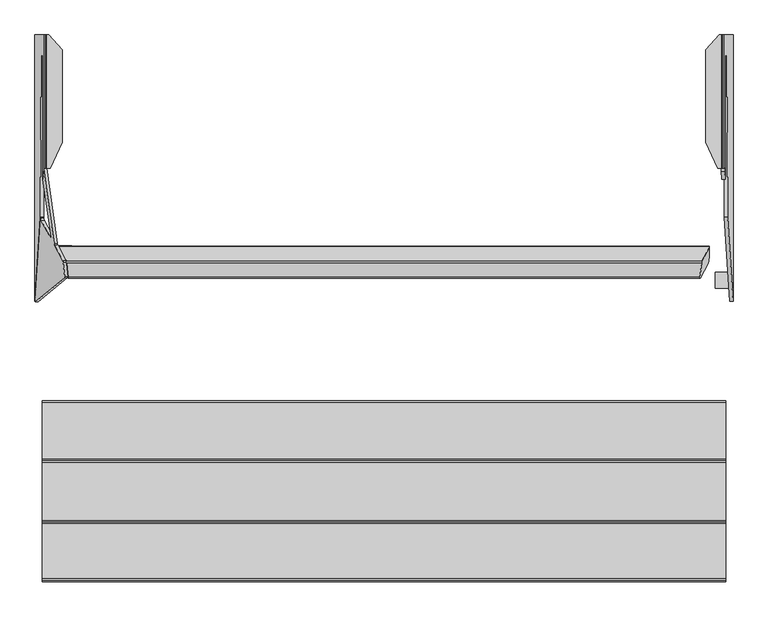
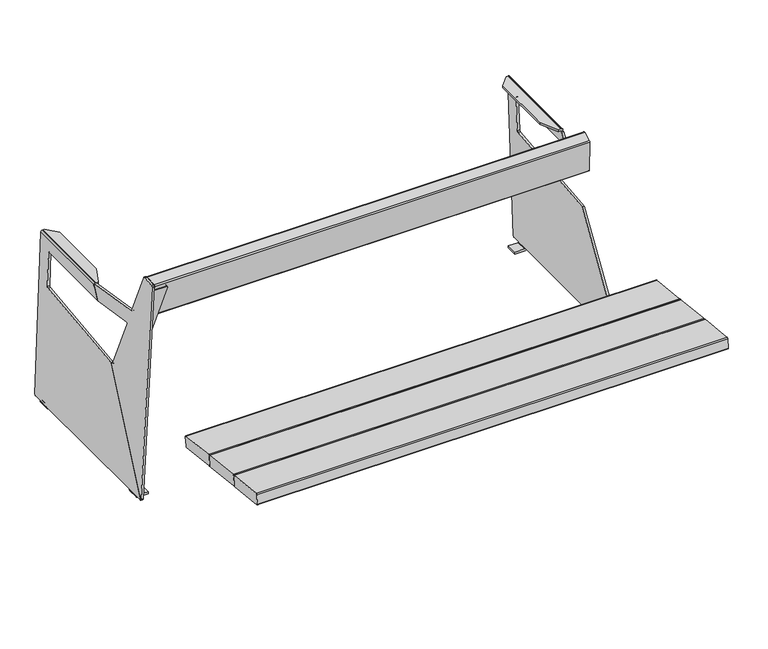
"""IFC4 building model written with IfcOpenShell, lengths in millimetres: furniture geometry."""

from ifc_helpers import new_model, si_unit, point, frame, frame_2d, origin, place, context, project, spatial, polyline, circle_curve, ellipse_curve, trimmed, segment, composite_curve, outline, extrude, source, transform, mapped, element, save
from ifc_brep_helpers import plane_surface, cylinder_surface, revolved_surface, advanced_brep


def furniture_87e5d0e5(model_context):
    return source(origin(), model_context, "Body", "SolidModel", [
        advanced_brep(
        [(-791.2328587, 505.8544939, 503.3842593), (-783.301588, 504.0503298, 509.9877088), (-747.1427984, 438.3761853, 749.0639533), (-755.0440225, 435.9391349, 757.8881152), (-800.2290396, 435.8572515, 757.9536062), (-837.8982285, 505.7699279, 503.4518959), (-755.0563553, 444.6628005, 760.2863677), (-747.1551312, 447.0998509, 751.4622058), (-783.3139208, 512.7739954, 512.3859614), (-791.2451915, 514.5781595, 505.7825119), (-838.8596981, 514.4918735, 505.8515241), (-801.1905091, 444.5791971, 760.3532344), (-880.8633489, 372.9837171, 14.8944279), (-806.2060941, 433.797321, 774.9426086), (-806.2223905, 436.6873001, 778.499374), (-810.120629, 472.7104158, 789.0752934), (-811.1014693, 477.5895695, 786.3705641), (-832.2804167, 516.8962274, 643.2798026), (-833.1217155, 520.6554233, 640.4138721), (-859.5577941, 708.971181, 640.3594265), (-861.2994828, 682.484092, 590.4844823), (-840.7791117, 536.4031676, 590.6481205), (-840.7909312, 532.5415564, 585.5886209), (-866.2037222, 579.7045667, 413.8911008), (-867.5760922, 586.0959716, 409.5484177), (-867.61676, 586.4127996, 409.5831251), (-881.5280215, 374.8544313, 11.2206695), (-872.9871313, 374.0891443, 14.0323223), (-873.6518039, 375.9598585, 10.3585639), (-859.704087, 588.0726289, 409.7649535), (-859.4503645, 586.0959716, 409.5484177), (-858.0779945, 579.7045667, 413.8911008), (-832.6652035, 532.5415564, 585.5886209), (-832.653384, 536.4031676, 590.6481205), (-853.3932206, 684.0464283, 590.4827322), (-851.6815764, 710.0766083, 639.4973209), (-825.2454978, 521.7608506, 639.5517666), (-824.4041991, 518.0016547, 642.417697), (-803.2252516, 478.6949968, 785.5084585), (-802.2444113, 473.815843, 788.2131877), (-798.3461729, 437.7927273, 777.6372684), (-798.3298764, 434.9027483, 774.080503)],
        [
            (0, 1, circle_curve(frame((-791.2178354, 503.7338866, 511.098065), z_axis=(0.0013631459484884575, -0.9642258427672699, -0.26507860338562134), x_axis=(0.14431455675225047, -0.2621142782788855, 0.9541852093968658)), 8.0)),
            (1, 2),
            (2, 3, circle_curve(frame((-755.0590458, 438.0597422, 750.1743095), z_axis=(0.0013631459484884575, -0.9642258427672699, -0.26507860338562134), x_axis=(0.14431455675225047, -0.2621142782788855, 0.9541852093968658)), 8.0)),
            (3, 4),
            (4, 5),
            (5, 0),
            (6, 7, circle_curve(frame((-755.0713786, 446.7834078, 752.572562), z_axis=(-0.0013631459484884575, 0.9642258427672699, 0.26507860338562134), x_axis=(0.14431455675225047, -0.2621142782788855, 0.9541852093968658)), 8.0)),
            (7, 8),
            (8, 9, circle_curve(frame((-791.2301682, 512.4575522, 513.4963176), z_axis=(-0.0013631459484884575, 0.9642258427672699, 0.26507860338562134), x_axis=(0.14431455675225047, -0.2621142782788855, 0.9541852093968658)), 8.0)),
            (9, 10),
            (10, 11),
            (11, 6),
            (2, 7),
            (6, 3),
            (1, 8),
            (0, 9),
            (5, 10),
            (11, 4),
            (12, 13),
            (13, 14, circle_curve(frame((-806.788641, 437.7462061, 774.683869), z_axis=(-0.9845272064646956, -0.13817840671662612, 0.10776320173453142), x_axis=(-0.10809843818608307, -0.005098251508800454, -0.9941271224009949)), 4.0)),
            (14, 15),
            (15, 16, circle_curve(frame((-810.6868794, 473.7693218, 785.2597883), z_axis=(-0.9845272064646956, -0.13817840671662612, 0.10776320173453142), x_axis=(-0.10809843818608307, -0.005098251508800454, -0.9941271224009949)), 4.0)),
            (16, 17),
            (17, 18, circle_curve(frame((-832.6950066, 520.7164752, 644.3905783), z_axis=(0.9845272064646956, 0.13817840671662612, -0.10776320173453142), x_axis=(-0.10809843818608307, -0.005098251508800454, -0.9941271224009949)), 4.0)),
            (18, 19),
            (19, 20),
            (20, 21),
            (21, 22, ellipse_curve(frame((-841.2163098, 536.3986868, 586.648123), z_axis=(0.9845272064646957, 0.13817840671662626, -0.10776320173453155), x_axis=(0.175231788585354, -0.7763454442639399, 0.6054598016712618)), 4.0628639, 4.0)),
            (22, 23),
            (23, 24, ellipse_curve(frame((-866.8370673, 585.4474378, 415.4685906), z_axis=(0.9845272064646957, 0.13817840671662626, -0.10776320173453155), x_axis=(0.175231788585354, -0.7763454442639399, 0.6054598016712618)), 6.049187, 5.9555892)),
            (24, 25),
            (25, 26),
            (26, 12, circle_curve(frame((-881.4454916, 376.929862, 14.6358678), z_axis=(-0.9845272064646956, -0.13817840671662612, 0.10776320173453142), x_axis=(-0.10809843818608307, -0.005098251508800454, -0.9941271224009949)), 3.9972244)),
            (27, 28, circle_curve(frame((-873.5692739, 378.0352893, 13.7737622), z_axis=(0.9845272064646956, 0.13817840671662612, -0.10776320173453142), x_axis=(-0.10809843818608307, -0.005098251508800454, -0.9941271224009949)), 3.9972244)),
            (28, 29),
            (29, 30),
            (30, 31, ellipse_curve(frame((-858.7113396, 585.4474378, 415.4685906), z_axis=(-0.9845272064646957, -0.13817840671662626, 0.10776320173453155), x_axis=(0.175231788585354, -0.7763454442639399, 0.6054598016712618)), 6.049187, 5.9555892)),
            (31, 32),
            (32, 33, ellipse_curve(frame((-833.0905821, 536.3986868, 586.648123), z_axis=(-0.9845272064646957, -0.13817840671662626, 0.10776320173453155), x_axis=(0.175231788585354, -0.7763454442639399, 0.6054598016712618)), 4.0628639, 4.0)),
            (33, 34),
            (34, 35),
            (35, 36),
            (36, 37, circle_curve(frame((-824.8187889, 521.8219024, 643.5284727), z_axis=(-0.9845272064646956, -0.13817840671662612, 0.10776320173453142), x_axis=(-0.10809843818608307, -0.005098251508800454, -0.9941271224009949)), 4.0)),
            (37, 38),
            (38, 39, circle_curve(frame((-802.8106618, 474.8747491, 784.3976827), z_axis=(0.9845272064646956, 0.13817840671662612, -0.10776320173453142), x_axis=(-0.10809843818608307, -0.005098251508800454, -0.9941271224009949)), 4.0)),
            (39, 40),
            (40, 41, circle_curve(frame((-798.9124233, 438.8516333, 773.8217633), z_axis=(0.9845272064646956, 0.13817840671662612, -0.10776320173453142), x_axis=(-0.10809843818608307, -0.005098251508800454, -0.9941271224009949)), 4.0)),
            (41, 27),
            (13, 41),
            (40, 14),
            (12, 27),
            (26, 28),
            (25, 29),
            (19, 35),
            (34, 20),
            (18, 36),
            (17, 37),
            (16, 38),
            (15, 39),
            (21, 33),
            (32, 22),
            (24, 30),
            (23, 31),
        ],
        [
            plane_surface(frame((-804.0386477, 435.8503478, 757.9591278), z_axis=(0.00136314594848843, -0.9642258427672699, -0.26507860338562156), x_axis=(-0.9999973076401405, -0.0018121741131804762, 0.0014493920980659543))),
            plane_surface(frame((-804.0509805, 444.5740134, 760.3573804), z_axis=(-0.00136314594848843, 0.9642258427672699, 0.26507860338562156), x_axis=(0.9999973076401405, 0.0018121741131804762, -0.0014493920980659543))),
            cylinder_surface(frame((-755.0713786, 446.7834078, 752.572562), z_axis=(0.0013631459484884575, -0.9642258427672699, -0.26507860338562134), x_axis=(0.14431455675225047, -0.2621142782788855, 0.9541852093968658)), 8.0),
            plane_surface(frame((-783.301588, 504.0503298, 509.9877088), z_axis=(0.9895309245003536, 0.03955539485439846, -0.1387945250915483), x_axis=(-0.001363145948487992, 0.9642258427672696, 0.26507860338562167))),
            cylinder_surface(frame((-791.2301682, 512.4575522, 513.4963176), z_axis=(0.0013631459484884575, -0.9642258427672699, -0.26507860338562134), x_axis=(0.14431455675225047, -0.2621142782788855, 0.9541852093968658)), 8.0),
            plane_surface(frame((-841.6458762, 505.7631365, 503.4573277), z_axis=(-0.001877909900275728, 0.26507591396566405, -0.9642257169821152), x_axis=(-0.001363145948487992, 0.9642258427672696, 0.26507860338562167))),
            plane_surface(frame((-755.0440225, 435.9391349, 757.8881152), z_axis=(0.001877909900271324, -0.26507591396566405, 0.9642257169821152), x_axis=(-0.001363145948487992, 0.9642258427672696, 0.26507860338562167))),
            plane_surface(frame((-806.2060941, 433.797321, 774.9426086), z_axis=(-0.9845272064646957, -0.13817840671662626, 0.10776320173453155), x_axis=(0.09744806620720972, 0.07937832858943737, 0.9920700355029491))),
            plane_surface(frame((-798.3298764, 434.9027483, 774.080503), z_axis=(0.9845272064646957, 0.13817840671662626, -0.10776320173453155), x_axis=(-0.09744806620720972, -0.07937832858943737, -0.9920700355029491))),
            cylinder_surface(frame((-798.9124233, 438.8516333, 773.8217633), z_axis=(-0.9845272064646956, -0.13817840671662612, 0.10776320173453142), x_axis=(-0.10809843818608307, -0.005098251508800454, -0.9941271224009949)), 4.0),
            plane_surface(frame((-880.8633489, 372.9837171, 14.8944279), z_axis=(0.1456367196942427, -0.9872212562883768, 0.06468490557386639), x_axis=(0.9845272064646944, 0.13817840671663073, -0.10776320173453648))),
            cylinder_surface(frame((-873.5692739, 378.0352893, 13.7737622), z_axis=(-0.9845272064646956, -0.13817840671662612, 0.10776320173453142), x_axis=(-0.10809843818608307, -0.005098251508800454, -0.9941271224009949)), 3.9972244),
            plane_surface(frame((-859.5577941, 708.971181, 640.3594265), z_axis=(-0.1724989104392053, 0.8724250405319146, -0.45729495355861327), x_axis=(0.9845272064646944, 0.13817840671663073, -0.10776320173453648))),
            plane_surface(frame((-833.1217155, 520.6554233, 640.4138722), z_axis=(0.10667723092490335, 0.015262962519211913, 0.9941765488972933), x_axis=(0.9845272064646967, 0.13817840671661413, -0.10776320173453674))),
            revolved_surface(polyline([(-825.2511826331016, 521.8015093967217, 639.551964208246), (-833.1274003424797, 520.696082134896, 640.4140698284336)]), (-824.8187889, 521.8219024, 643.5284727), (0.9845272064646956, 0.13817840671662612, -0.10776320173453142)),
            plane_surface(frame((-811.1014693, 477.5895695, 786.3705641), z_axis=(-0.10364746347884772, 0.9550619256550315, 0.2776939348968649), x_axis=(0.9845272064646944, 0.13817840671663073, -0.10776320173453648))),
            cylinder_surface(frame((-802.8106618, 474.8747491, 784.3976827), z_axis=(-0.9845272064646956, -0.13817840671662612, 0.10776320173453142), x_axis=(-0.10809843818608307, -0.005098251508800454, -0.9941271224009949)), 4.0),
            plane_surface(frame((-806.2223905, 436.6873001, 778.499374), z_axis=(0.14156261468824904, -0.26472650457534264, 0.9538762518785903), x_axis=(0.9845272064646944, 0.13817840671663073, -0.10776320173453648))),
            revolved_surface(polyline([(-832.3786391920241, 540.3986868, 586.648123), (-841.9282527079758, 540.3986868, 586.648123)]), (-919.9232064, 536.3986868, 586.648123), (1.0, 0.0, 0.0)),
            plane_surface(frame((-812.6404131, 991.626389, 590.1381847), z_axis=(0.0, -0.0011201877232388628, -0.9999993725895355), x_axis=(-1.0, 0.0, 0.0))),
            plane_surface(frame((-812.6404131, 586.0959716, 409.5484177), z_axis=(0.0, -0.10889498268372896, 0.994053259511939), x_axis=(-1.0, 0.0, 0.0))),
            revolved_surface(polyline([(-857.6513297425028, 591.403027, 415.4685906), (-867.8970771574972, 591.403027, 415.4685906)]), (-919.9232064, 585.4474378, 415.4685906), (1.0, 0.0, 0.0)),
            plane_surface(frame((-812.6404131, 532.5415564, 585.5886209), z_axis=(0.0, 0.9642826121585463, 0.2648755252730813), x_axis=(-1.0, 0.0, 0.0))),
        ],
        [
            (0, [[1, 2, 3, 4, 5, 6]]),
            (1, [[7, 8, 9, 10, 11, 12]]),
            (2, [[-3, 13, -7, 14]]),
            (3, [[-2, 15, -8, -13]]),
            (4, [[-1, 16, -9, -15]]),
            (5, [[-16, -6, 17, -10]]),
            (6, [[-14, -12, 18, -4]]),
            (7, [[19, 20, 21, 22, 23, 24, 25, 26, 27, 28, 29, 30, 31, 32, 33]]),
            (8, [[34, 35, 36, 37, 38, 39, 40, 41, 42, 43, 44, 45, 46, 47, 48], [-5, -18, -11, -17]]),
            (9, [[-20, 49, -47, 50]]),
            (10, [[-19, 51, -48, -49]]),
            (11, [[-33, 52, -34, -51]]),
            (12, [[-52, -32, 53, -35]]),
            (12, [[54, -41, 55, -26]]),
            (13, [[-25, 56, -42, -54]]),
            (14, [[-24, 57, -43, -56]]),
            (15, [[-23, 58, -44, -57]]),
            (16, [[-22, 59, -45, -58]]),
            (17, [[-21, -50, -46, -59]]),
            (18, [[60, -39, 61, -28]]),
            (19, [[-60, -27, -55, -40]]),
            (20, [[62, -36, -53, -31]]),
            (21, [[-62, -30, 63, -37]]),
            (22, [[-63, -29, -61, -38]]),
        ],
    ),
        advanced_brep(
        [(851.7778593, 1047.2775188, 630.7885173), (850.2766357, 1047.2775188, 632.2382321), (846.5946295, 1047.2775188, 632.2382321), (846.5946295, 1047.2775188, 640.3596516), (851.4436279, 1047.2775188, 640.3596516), (853.6895812, 1047.2775188, 640.3596516), (859.6494877, 1047.2775188, 634.6042367), (881.3120133, 1047.2775188, 14.2706676), (873.3168867, 1047.2775188, 13.9914716), (859.6494877, 710.955021, 634.6042367), (853.6895812, 710.955021, 640.3596516), (851.4436279, 710.955021, 640.3596516), (842.6377771, 710.955021, 640.3596516), (842.6377771, 710.955021, 632.2382321), (850.2766357, 710.955021, 632.2382321), (851.7778593, 710.955021, 630.7885173), (851.8212811, 710.955021, 629.5450788), (859.8164077, 710.955021, 629.8242748), (812.6404131, 775.8579308, 632.2382321), (812.6404131, 1009.5675412, 632.2382321), (812.6404131, 775.8579308, 640.3596516), (812.6404131, 1009.5675412, 640.3596516), (859.8164077, 703.328245, 629.8242748), (861.1901816, 682.4359884, 590.4845362), (861.2022765, 991.626389, 590.1381847), (861.3419594, 995.6219083, 586.1381898), (865.8167736, 995.6219916, 457.9962761), (865.9556261, 992.0575716, 454.0200604), (867.5075955, 586.3612074, 409.5774734), (881.4138659, 374.8756351, 11.3539925), (881.4516113, 377.6111261, 10.2731042), (881.4516113, 407.6111261, 10.2731042), (881.4516113, 447.6111261, 10.2731042), (881.4516113, 974.2989159, 10.2731042), (881.4516113, 1014.2989159, 10.2731042), (881.4516113, 1043.2775188, 10.2731042), (873.4564847, 1043.2775188, 9.9939083), (873.4564847, 1014.2989159, 9.9939083), (873.4886988, 1014.2989159, 9.0714168), (873.4886988, 974.2989159, 9.0714168), (873.4564847, 974.2989159, 9.9939083), (873.4564847, 447.6111261, 9.9939083), (873.4886988, 447.6111261, 9.0714168), (873.4886988, 407.6111261, 9.0714168), (873.4564847, 407.6111261, 9.9939083), (873.4564847, 377.6111261, 9.9939083), (873.4187392, 374.8756351, 11.0747965), (859.5021169, 586.5186397, 409.5947195), (857.9507498, 992.0575716, 454.0200604), (857.8118973, 995.6219916, 457.9962761), (853.337083, 995.6219083, 586.1381898), (853.1974001, 991.626389, 590.1381847), (853.1853111, 682.5841736, 590.4843702), (851.8212811, 703.328245, 629.5450788), (872.4540437, 1014.2989159, 8.0), (881.4516113, 1014.2989159, 8.2703475), (873.5140122, 1014.2989159, 0.0), (835.810356, 1014.2989159, 0.0), (835.810356, 1014.2989159, 8.0), (872.4540437, 974.2989159, 8.0), (835.810356, 974.2989159, 8.0), (835.810356, 974.2989159, 0.0), (873.5140122, 974.2989159, 0.0), (881.4516113, 974.2989159, 8.2703475), (872.4540437, 407.6111261, 8.0), (835.810356, 407.6111261, 8.0), (835.810356, 407.6111261, 0.0), (873.5140122, 407.6111261, 0.0), (881.4516113, 407.6111261, 8.2703475), (872.4540437, 447.6111261, 8.0), (881.4516113, 447.6111261, 8.2703475), (873.5140122, 447.6111261, 0.0), (835.810356, 447.6111261, 0.0), (835.810356, 447.6111261, 8.0)],
        [
            (0, 1, circle_curve(frame((850.2766357, 1047.2775188, 630.7360934), z_axis=(0.0, -1.0, 0.0), x_axis=(-1.0, 0.0, 0.0)), 1.5021387)),
            (1, 2),
            (2, 3),
            (3, 4),
            (4, 5),
            (5, 6, circle_curve(frame((853.6895812, 1047.2775188, 634.3961122), z_axis=(0.0, 1.0, 0.0), x_axis=(-1.0, 0.0, 0.0)), 5.9635394)),
            (6, 7),
            (7, 8),
            (8, 0),
            (9, 10, circle_curve(frame((853.6895812, 710.955021, 634.3961122), z_axis=(0.0, -1.0, 0.0), x_axis=(-1.0, 0.0, 0.0)), 5.9635394)),
            (10, 11),
            (11, 12),
            (12, 13),
            (13, 14),
            (14, 15, circle_curve(frame((850.2766357, 710.955021, 630.7360934), z_axis=(0.0, 1.0, 0.0), x_axis=(-1.0, 0.0, 0.0)), 1.5021387)),
            (15, 16),
            (16, 17),
            (17, 9),
            (1, 14),
            (13, 18),
            (18, 19),
            (19, 2),
            (18, 20),
            (20, 21),
            (21, 19),
            (11, 4),
            (3, 21),
            (20, 12),
            (10, 5),
            (6, 9),
            (17, 22),
            (22, 23),
            (23, 24),
            (24, 25, ellipse_curve(frame((861.3419595, 991.6219083, 586.1381872), z_axis=(-0.9993908270190961, 0.0, -0.03489949670249125), x_axis=(-0.03489949670248915, 0.0, 0.9993908270190963)), 4.0024382, 4.0)),
            (25, 26),
            (26, 27, ellipse_curve(frame((865.8167737, 991.6219916, 457.9962735), z_axis=(-0.9993908270190961, 0.0, -0.03489949670249125), x_axis=(-0.03489949670248915, 0.0, 0.9993908270190963)), 4.0024382, 4.0)),
            (27, 28),
            (28, 29),
            (29, 30, circle_curve(frame((881.3120088, 377.6111261, 14.2707962), z_axis=(0.9993908270190959, 0.0, 0.0348994967025008), x_axis=(0.0348994967025008, 0.0, -0.9993908270190959)), 4.0001287)),
            (30, 31),
            (31, 32),
            (32, 33),
            (33, 34),
            (34, 35),
            (35, 7, circle_curve(frame((881.3120133, 1043.2775188, 14.2706676), z_axis=(0.9993908270190959, 0.0, 0.0348994967025008), x_axis=(0.0348994967025008, 0.0, -0.9993908270190959)), 4.0)),
            (15, 0),
            (8, 36, circle_curve(frame((873.3168867, 1043.2775188, 13.9914716), z_axis=(-0.9993908270190959, 0.0, -0.0348994967025008), x_axis=(0.0348994967025008, 0.0, -0.9993908270190959)), 4.0)),
            (36, 37),
            (37, 38),
            (38, 39),
            (39, 40),
            (40, 41),
            (41, 42),
            (42, 43),
            (43, 44),
            (44, 45),
            (45, 46, circle_curve(frame((873.3168822, 377.6111261, 13.9916002), z_axis=(-0.9993908270190959, 0.0, -0.0348994967025008), x_axis=(0.0348994967025008, 0.0, -0.9993908270190959)), 4.0001287)),
            (46, 47),
            (47, 48),
            (48, 49, ellipse_curve(frame((857.8118974, 991.6219916, 457.9962735), z_axis=(0.9993908270190955, 0.0, 0.03489949670250719), x_axis=(-0.03489949670250501, 0.0, 0.9993908270190955)), 4.0024382, 4.0)),
            (49, 50),
            (50, 51, ellipse_curve(frame((853.3370831, 991.6219083, 586.1381872), z_axis=(0.9993908270190955, 0.0, 0.03489949670250719), x_axis=(-0.03489949670250501, 0.0, 0.9993908270190955)), 4.0024382, 4.0)),
            (51, 52),
            (52, 53),
            (53, 16),
            (22, 53),
            (52, 23),
            (46, 29),
            (28, 47),
            (45, 30),
            (44, 31),
            (36, 35),
            (34, 37),
            (40, 33),
            (32, 41),
            (54, 38, circle_curve(frame((872.4540437, 1014.2989159, 9.0352858), z_axis=(0.0, -1.0, 0.0), x_axis=(-1.0, 0.0, 0.0)), 1.0352858)),
            (34, 55),
            (55, 56, circle_curve(frame((873.1742893, 1014.2989159, 8.2703475), z_axis=(0.0, 1.0, 0.0), x_axis=(-1.0, 0.0, 0.0)), 8.277322)),
            (56, 57),
            (57, 58),
            (58, 54),
            (59, 60),
            (60, 61),
            (61, 62),
            (62, 63, circle_curve(frame((873.1742893, 974.2989159, 8.2703475), z_axis=(0.0, -1.0, 0.0), x_axis=(-1.0, 0.0, 0.0)), 8.277322)),
            (63, 33),
            (39, 59, circle_curve(frame((872.4540437, 974.2989159, 9.0352858), z_axis=(0.0, 1.0, 0.0), x_axis=(-1.0, 0.0, 0.0)), 1.0352858)),
            (54, 59),
            (56, 62),
            (61, 57),
            (60, 58),
            (63, 55),
            (64, 65),
            (65, 66),
            (66, 67),
            (67, 68, circle_curve(frame((873.1742893, 407.6111261, 8.2703475), z_axis=(0.0, -1.0, 0.0), x_axis=(-1.0, 0.0, 0.0)), 8.277322)),
            (68, 31),
            (43, 64, circle_curve(frame((872.4540437, 407.6111261, 9.0352858), z_axis=(0.0, 1.0, 0.0), x_axis=(-1.0, 0.0, 0.0)), 1.0352858)),
            (69, 42, circle_curve(frame((872.4540437, 447.6111261, 9.0352858), z_axis=(0.0, -1.0, 0.0), x_axis=(-1.0, 0.0, 0.0)), 1.0352858)),
            (32, 70),
            (70, 71, circle_curve(frame((873.1742893, 447.6111261, 8.2703475), z_axis=(0.0, 1.0, 0.0), x_axis=(-1.0, 0.0, 0.0)), 8.277322)),
            (71, 72),
            (72, 73),
            (73, 69),
            (69, 64),
            (66, 72),
            (71, 67),
            (65, 73),
            (68, 70),
            (51, 24),
            (50, 25),
            (49, 26),
            (48, 27),
        ],
        [
            plane_surface(frame((859.8862566, 1047.2775188, 627.8240627), z_axis=(0.0, 1.0, 0.0), x_axis=(0.03489949670249125, 0.0, -0.9993908270190961))),
            plane_surface(frame((859.8862566, 710.955021, 627.8240627), z_axis=(0.0, -1.0, 0.0), x_axis=(-0.03489949670249125, 0.0, 0.9993908270190961))),
            plane_surface(frame((850.2766357, 1047.2775188, 632.2382321), z_axis=(0.0, 0.0, -1.0), x_axis=(0.0, -1.0, 0.0))),
            plane_surface(frame((812.6404131, 1047.2775188, 632.2382321), z_axis=(-1.0, 0.0, 0.0), x_axis=(0.0, -1.0, 0.0))),
            plane_surface(frame((812.6404131, 1047.2775188, 640.3596516), z_axis=(0.0, 0.0, 1.0), x_axis=(0.0, -1.0, 0.0))),
            plane_surface(frame((851.4436279, 1047.2775188, 640.3596516), z_axis=(0.0, 0.0, 1.0), x_axis=(0.0, -1.0, 0.0))),
            plane_surface(frame((859.6494877, 1047.2775188, 634.6042367), z_axis=(0.9993908270190961, 0.0, 0.03489949670249125), x_axis=(0.0, -1.0, 0.0))),
            cylinder_surface(frame((853.6895812, 710.955021, 634.3961122), z_axis=(0.0, 1.0, 0.0), x_axis=(-1.0, 0.0, 0.0)), 5.9635394),
            plane_surface(frame((851.89113, 1047.2775188, 627.5448667), z_axis=(-0.9993908270190955, 0.0, -0.03489949670250719), x_axis=(0.0, -1.0, 0.0))),
            revolved_surface(polyline([(848.774497, 710.955021, 630.7360934), (848.774497, 1047.2775188, 630.7360934)]), (850.2766357, 710.955021, 630.7360934), (0.0, -1.0, 0.0)),
            plane_surface(frame((812.6418555, 775.8548101, 616.5713791), z_axis=(-0.9077348201474655, -0.419544391324504, 0.0), x_axis=(0.0, 0.0, 1.0))),
            plane_surface(frame((846.5946295, 1047.2775188, 616.5713791), z_axis=(-0.7431448254773957, 0.6691306063588567, 0.0), x_axis=(0.0, 0.0, 1.0))),
            plane_surface(frame((859.8164077, 703.328245, 629.8242748), z_axis=(-0.016361236819831444, -0.8832989769010682, 0.4685245215943898), x_axis=(-0.9993908270190955, 0.0, -0.034899496702506035))),
            cylinder_surface(frame((873.3168822, 377.6111261, 13.9916002), z_axis=(0.9993908270190959, 0.0, 0.0348994967025008), x_axis=(0.0348994967025008, 0.0, -0.9993908270190959)), 4.0001287),
            plane_surface(frame((881.4516113, 377.6111261, 10.2731042), z_axis=(0.03489949670248914, 0.0, -0.9993908270190962), x_axis=(-0.9993908270190962, 0.0, -0.03489949670248914))),
            cylinder_surface(frame((873.3168867, 1043.2775188, 13.9914716), z_axis=(0.9993908270190959, 0.0, 0.0348994967025008), x_axis=(0.0348994967025008, 0.0, -0.9993908270190959)), 4.0),
            plane_surface(frame((859.8164077, 1047.2775188, 629.8242748), z_axis=(-0.034899496702506035, 0.0, 0.9993908270190955), x_axis=(-0.9993908270190955, 0.0, -0.034899496702506035))),
            plane_surface(frame((871.4187578, 1014.2989159, 9.0352858), z_axis=(0.0, 1.0, 0.0), x_axis=(0.0, 0.0, -1.0))),
            plane_surface(frame((871.4187578, 974.2989159, 9.0352858), z_axis=(0.0, -1.0, 0.0), x_axis=(0.0, 0.0, 1.0))),
            revolved_surface(polyline([(871.4187579000001, 974.2989159, 9.0352858), (871.4187579000001, 1014.2989159, 9.0352858)]), (872.4540437, 974.2989159, 9.0352858), (0.0, -1.0, 0.0)),
            plane_surface(frame((873.5140122, 1014.2989159, 0.0), z_axis=(0.0, 0.0, -1.0), x_axis=(0.0, -1.0, 0.0))),
            plane_surface(frame((835.810356, 1014.2989159, 0.0), z_axis=(-1.0, 0.0, 0.0), x_axis=(0.0, -1.0, 0.0))),
            plane_surface(frame((835.810356, 1014.2989159, 8.0), z_axis=(0.0, 0.0, 1.0), x_axis=(0.0, -1.0, 0.0))),
            plane_surface(frame((881.4516113, 1014.2989159, 10.2731042), z_axis=(1.0, 0.0, 0.0), x_axis=(0.0, -1.0, 0.0))),
            cylinder_surface(frame((873.1742893, 974.2989159, 8.2703475), z_axis=(0.0, 1.0, 0.0), x_axis=(-1.0, 0.0, 0.0)), 8.277322),
            plane_surface(frame((835.810356, 407.6111261, 8.0), z_axis=(0.0, -1.0, 0.0), x_axis=(-1.0, 0.0, 0.0))),
            plane_surface(frame((835.810356, 447.6111261, 8.0), z_axis=(0.0, 1.0, 0.0), x_axis=(1.0, 0.0, 0.0))),
            revolved_surface(polyline([(871.4187579000001, 447.6111261, 9.0352858), (871.4187579000001, 407.6111261, 9.0352858)]), (872.4540437, 447.6111261, 9.0352858), (0.0, 1.0, 0.0)),
            plane_surface(frame((835.810356, 407.6111261, 0.0), z_axis=(0.0, 0.0, -1.0), x_axis=(0.0, 1.0, 0.0))),
            plane_surface(frame((835.810356, 407.6111261, 8.0), z_axis=(-1.0, 0.0, 0.0), x_axis=(0.0, 1.0, 0.0))),
            plane_surface(frame((872.4540437, 407.6111261, 8.0), z_axis=(0.0, 0.0, 1.0), x_axis=(0.0, 1.0, 0.0))),
            plane_surface(frame((881.4516113, 407.6111261, 8.2703475), z_axis=(1.0, 0.0, 0.0), x_axis=(0.0, 1.0, 0.0))),
            cylinder_surface(frame((873.1742893, 447.6111261, 8.2703475), z_axis=(0.0, -1.0, 0.0), x_axis=(-1.0, 0.0, 0.0)), 8.277322),
            plane_surface(frame((812.6404131, 536.4031676, 590.6481205), z_axis=(0.0, -0.0011201877232388628, -0.9999993725895355), x_axis=(1.0, 0.0, 0.0))),
            revolved_surface(polyline([(853.1974000212371, 995.6219083, 586.1381872), (861.4816425787628, 995.6219083, 586.1381872)]), (919.9232064, 991.6219083, 586.1381872), (-1.0, 0.0, 0.0)),
            plane_surface(frame((812.6404131, 995.6219083, 586.1381898), z_axis=(0.0, -0.9999999999997885, -6.504329975293946e-07), x_axis=(1.0, 0.0, 0.0))),
            revolved_surface(polyline([(857.6722143212371, 995.6219916, 457.9962735), (865.9564567787628, 995.6219916, 457.9962735)]), (919.9232064, 991.6219916, 457.9962735), (-1.0, 0.0, 0.0)),
            plane_surface(frame((812.6404131, 992.0575716, 454.0200604), z_axis=(0.0, -0.10889498268372896, 0.994053259511939), x_axis=(1.0, 0.0, 0.0))),
        ],
        [
            (0, [[1, 2, 3, 4, 5, 6, 7, 8, 9]]),
            (1, [[10, 11, 12, 13, 14, 15, 16, 17, 18]]),
            (2, [[19, -14, 20, 21, 22, -2]]),
            (3, [[-21, 23, 24, 25]]),
            (4, [[26, -4, 27, -24, 28, -12]]),
            (5, [[-5, -26, -11, 29]]),
            (6, [[30, -18, 31, 32, 33, 34, 35, 36, 37, 38, 39, 40, 41, 42, 43, 44, 45, -7]]),
            (7, [[-6, -29, -10, -30]]),
            (8, [[46, -9, 47, 48, 49, 50, 51, 52, 53, 54, 55, 56, 57, 58, 59, 60, 61, 62, 63, 64, 65, -16]]),
            (9, [[-1, -46, -15, -19]]),
            (10, [[-13, -28, -23, -20]]),
            (11, [[-3, -22, -25, -27]]),
            (12, [[66, -64, 67, -32]]),
            (12, [[68, -38, 69, -58]]),
            (13, [[-39, -68, -57, 70]]),
            (14, [[-70, -56, 71, -40]]),
            (14, [[72, -44, 73, -48]]),
            (14, [[74, -42, 75, -52]]),
            (15, [[-45, -72, -47, -8]]),
            (16, [[-66, -31, -17, -65]]),
            (17, [[76, -49, -73, 77, 78, 79, 80, 81]]),
            (18, [[82, 83, 84, 85, 86, -74, -51, 87]]),
            (19, [[-76, 88, -87, -50]]),
            (20, [[-79, 89, -84, 90]]),
            (21, [[-80, -90, -83, 91]]),
            (22, [[-81, -91, -82, -88]]),
            (23, [[-77, -43, -86, 92]]),
            (24, [[-78, -92, -85, -89]]),
            (25, [[93, 94, 95, 96, 97, -71, -55, 98]]),
            (26, [[99, -53, -75, 100, 101, 102, 103, 104]]),
            (27, [[-98, -54, -99, 105]]),
            (28, [[-95, 106, -102, 107]]),
            (29, [[-94, 108, -103, -106]]),
            (30, [[-93, -105, -104, -108]]),
            (31, [[-97, 109, -100, -41]]),
            (32, [[-96, -107, -101, -109]]),
            (33, [[110, -33, -67, -63]]),
            (34, [[-110, -62, 111, -34]]),
            (35, [[-111, -61, 112, -35]]),
            (36, [[-112, -60, 113, -36]]),
            (37, [[-113, -59, -69, -37]]),
        ],
    ),
        advanced_brep(
        [(-859.6494877, 1047.2775188, 634.6042367), (-853.6895812, 1047.2775188, 640.3596516), (-851.4436279, 1047.2775188, 640.3596516), (-846.5946295, 1047.2775188, 640.3596516), (-846.5946295, 1047.2775188, 632.2382321), (-850.2766357, 1047.2775188, 632.2382321), (-851.7778593, 1047.2775188, 630.7885173), (-873.3168867, 1047.2775188, 13.9914716), (-881.3120133, 1047.2775188, 14.2706676), (-851.7778593, 710.955021, 630.7885173), (-850.2766357, 710.955021, 632.2382321), (-842.6377771, 710.955021, 632.2382321), (-842.6377771, 710.955021, 640.3596516), (-851.4436279, 710.955021, 640.3596516), (-853.6895812, 710.955021, 640.3596516), (-859.6494877, 710.955021, 634.6042367), (-859.8164077, 710.955021, 629.8242748), (-851.8212811, 710.955021, 629.5450788), (-812.6404131, 1009.5675412, 632.2382321), (-812.6404131, 775.8579308, 632.2382321), (-812.6404131, 1009.5675412, 640.3596516), (-812.6404131, 775.8579308, 640.3596516), (-881.4516113, 1043.2775188, 10.2731042), (-881.4516113, 1014.2989159, 10.2731042), (-881.4516113, 974.2989159, 10.2731042), (-881.4516113, 447.6111261, 10.2731042), (-881.4516113, 407.6111261, 10.2731042), (-881.4516113, 377.6111261, 10.2731042), (-881.4138659, 374.8756351, 11.3539925), (-867.5075955, 586.3612074, 409.5774734), (-865.9556261, 992.0575716, 454.0200604), (-865.8167736, 995.6219916, 457.9962761), (-861.3419594, 995.6219083, 586.1381898), (-861.2022765, 991.626389, 590.1381847), (-861.1901816, 682.4359884, 590.4845362), (-859.8164077, 703.328245, 629.8242748), (-851.8212811, 703.328245, 629.5450788), (-853.1853111, 682.5841736, 590.4843702), (-853.1974001, 991.626389, 590.1381847), (-853.337083, 995.6219083, 586.1381898), (-857.8118973, 995.6219916, 457.9962761), (-857.9507498, 992.0575716, 454.0200604), (-859.5021169, 586.5186397, 409.5947195), (-873.4187392, 374.8756351, 11.0747965), (-873.4564847, 377.6111261, 9.9939083), (-873.4564847, 407.6111261, 9.9939083), (-873.4886988, 407.6111261, 9.0714168), (-873.4886988, 447.6111261, 9.0714168), (-873.4564847, 447.6111261, 9.9939083), (-873.4564847, 974.2989159, 9.9939083), (-873.4886988, 974.2989159, 9.0714168), (-873.4886988, 1014.2989159, 9.0714168), (-873.4564847, 1014.2989159, 9.9939083), (-873.4564847, 1043.2775188, 9.9939083), (-872.4540437, 1014.2989159, 8.0), (-835.810356, 1014.2989159, 8.0), (-835.810356, 1014.2989159, 0.0), (-873.5140122, 1014.2989159, 0.0), (-881.4516113, 1014.2989159, 8.2703475), (-872.4540437, 974.2989159, 8.0), (-881.4516113, 974.2989159, 8.2703475), (-873.5140122, 974.2989159, 0.0), (-835.810356, 974.2989159, 0.0), (-835.810356, 974.2989159, 8.0), (-872.4540437, 407.6111261, 8.0), (-881.4516113, 407.6111261, 8.2703475), (-873.5140122, 407.6111261, 0.0), (-835.810356, 407.6111261, 0.0), (-835.810356, 407.6111261, 8.0), (-872.4540437, 447.6111261, 8.0), (-835.810356, 447.6111261, 8.0), (-835.810356, 447.6111261, 0.0), (-873.5140122, 447.6111261, 0.0), (-881.4516113, 447.6111261, 8.2703475)],
        [
            (0, 1, circle_curve(frame((-853.6895812, 1047.2775188, 634.3961122), z_axis=(0.0, 1.0, 0.0), x_axis=(1.0, 0.0, 0.0)), 5.9635394)),
            (1, 2),
            (2, 3),
            (3, 4),
            (4, 5),
            (5, 6, circle_curve(frame((-850.2766357, 1047.2775188, 630.7360934), z_axis=(0.0, -1.0, 0.0), x_axis=(1.0, 0.0, 0.0)), 1.5021387)),
            (6, 7),
            (7, 8),
            (8, 0),
            (9, 10, circle_curve(frame((-850.2766357, 710.955021, 630.7360934), z_axis=(0.0, 1.0, 0.0), x_axis=(1.0, 0.0, 0.0)), 1.5021387)),
            (10, 11),
            (11, 12),
            (12, 13),
            (13, 14),
            (14, 15, circle_curve(frame((-853.6895812, 710.955021, 634.3961122), z_axis=(0.0, -1.0, 0.0), x_axis=(1.0, 0.0, 0.0)), 5.9635394)),
            (15, 16),
            (16, 17),
            (17, 9),
            (10, 5),
            (4, 18),
            (18, 19),
            (19, 11),
            (18, 20),
            (20, 21),
            (21, 19),
            (2, 13),
            (12, 21),
            (20, 3),
            (1, 14),
            (15, 0),
            (8, 22, circle_curve(frame((-881.3120133, 1043.2775188, 14.2706676), z_axis=(-0.9993908270190959, 0.0, 0.0348994967025008), x_axis=(-0.0348994967025008, 0.0, -0.9993908270190959)), 4.0)),
            (22, 23),
            (23, 24),
            (24, 25),
            (25, 26),
            (26, 27),
            (27, 28, circle_curve(frame((-881.3120088, 377.6111261, 14.2707962), z_axis=(-0.9993908270190959, 0.0, 0.0348994967025008), x_axis=(-0.0348994967025008, 0.0, -0.9993908270190959)), 4.0001287)),
            (28, 29),
            (29, 30),
            (30, 31, ellipse_curve(frame((-865.8167737, 991.6219916, 457.9962735), z_axis=(0.9993908270190961, 0.0, -0.03489949670249125), x_axis=(0.03489949670248915, 0.0, 0.9993908270190963)), 4.0024382, 4.0)),
            (31, 32),
            (32, 33, ellipse_curve(frame((-861.3419595, 991.6219083, 586.1381872), z_axis=(0.9993908270190961, 0.0, -0.03489949670249125), x_axis=(0.03489949670248915, 0.0, 0.9993908270190963)), 4.0024382, 4.0)),
            (33, 34),
            (34, 35),
            (35, 16),
            (6, 9),
            (17, 36),
            (36, 37),
            (37, 38),
            (38, 39, ellipse_curve(frame((-853.3370831, 991.6219083, 586.1381872), z_axis=(-0.9993908270190955, 0.0, 0.03489949670250719), x_axis=(0.03489949670250501, 0.0, 0.9993908270190955)), 4.0024382, 4.0)),
            (39, 40),
            (40, 41, ellipse_curve(frame((-857.8118974, 991.6219916, 457.9962735), z_axis=(-0.9993908270190955, 0.0, 0.03489949670250719), x_axis=(0.03489949670250501, 0.0, 0.9993908270190955)), 4.0024382, 4.0)),
            (41, 42),
            (42, 43),
            (43, 44, circle_curve(frame((-873.3168822, 377.6111261, 13.9916002), z_axis=(0.9993908270190959, 0.0, -0.0348994967025008), x_axis=(-0.0348994967025008, 0.0, -0.9993908270190959)), 4.0001287)),
            (44, 45),
            (45, 46),
            (46, 47),
            (47, 48),
            (48, 49),
            (49, 50),
            (50, 51),
            (51, 52),
            (52, 53),
            (53, 7, circle_curve(frame((-873.3168867, 1043.2775188, 13.9914716), z_axis=(0.9993908270190959, 0.0, -0.0348994967025008), x_axis=(-0.0348994967025008, 0.0, -0.9993908270190959)), 4.0)),
            (28, 43),
            (42, 29),
            (36, 35),
            (34, 37),
            (27, 44),
            (26, 45),
            (22, 53),
            (52, 23),
            (24, 49),
            (48, 25),
            (54, 55),
            (55, 56),
            (56, 57),
            (57, 58, circle_curve(frame((-873.1742893, 1014.2989159, 8.2703475), z_axis=(0.0, 1.0, 0.0), x_axis=(1.0, 0.0, 0.0)), 8.277322)),
            (58, 23),
            (51, 54, circle_curve(frame((-872.4540437, 1014.2989159, 9.0352858), z_axis=(0.0, -1.0, 0.0), x_axis=(1.0, 0.0, 0.0)), 1.0352858)),
            (59, 50, circle_curve(frame((-872.4540437, 974.2989159, 9.0352858), z_axis=(0.0, 1.0, 0.0), x_axis=(1.0, 0.0, 0.0)), 1.0352858)),
            (24, 60),
            (60, 61, circle_curve(frame((-873.1742893, 974.2989159, 8.2703475), z_axis=(0.0, -1.0, 0.0), x_axis=(1.0, 0.0, 0.0)), 8.277322)),
            (61, 62),
            (62, 63),
            (63, 59),
            (59, 54),
            (56, 62),
            (61, 57),
            (55, 63),
            (58, 60),
            (64, 46, circle_curve(frame((-872.4540437, 407.6111261, 9.0352858), z_axis=(0.0, 1.0, 0.0), x_axis=(1.0, 0.0, 0.0)), 1.0352858)),
            (26, 65),
            (65, 66, circle_curve(frame((-873.1742893, 407.6111261, 8.2703475), z_axis=(0.0, -1.0, 0.0), x_axis=(1.0, 0.0, 0.0)), 8.277322)),
            (66, 67),
            (67, 68),
            (68, 64),
            (69, 70),
            (70, 71),
            (71, 72),
            (72, 73, circle_curve(frame((-873.1742893, 447.6111261, 8.2703475), z_axis=(0.0, 1.0, 0.0), x_axis=(1.0, 0.0, 0.0)), 8.277322)),
            (73, 25),
            (47, 69, circle_curve(frame((-872.4540437, 447.6111261, 9.0352858), z_axis=(0.0, -1.0, 0.0), x_axis=(1.0, 0.0, 0.0)), 1.0352858)),
            (64, 69),
            (66, 72),
            (71, 67),
            (70, 68),
            (73, 65),
            (33, 38),
            (32, 39),
            (31, 40),
            (30, 41),
        ],
        [
            plane_surface(frame((-847.7260418, 1047.2775188, 634.3961122), z_axis=(0.0, 1.0, 0.0), x_axis=(0.0, 0.0, -1.0))),
            plane_surface(frame((-847.7260418, 710.955021, 634.3961122), z_axis=(0.0, -1.0, 0.0), x_axis=(0.0, 0.0, 1.0))),
            plane_surface(frame((-812.6404131, 1047.2775188, 632.2382321), z_axis=(0.0, 0.0, -1.0), x_axis=(0.0, -1.0, 0.0))),
            plane_surface(frame((-812.6404131, 1047.2775188, 640.3596516), z_axis=(1.0, 0.0, 0.0), x_axis=(0.0, -1.0, 0.0))),
            plane_surface(frame((-851.4436279, 1047.2775188, 640.3596516), z_axis=(0.0, 0.0, 1.0), x_axis=(0.0, -1.0, 0.0))),
            plane_surface(frame((-853.6895812, 1047.2775188, 640.3596516), z_axis=(0.0, 0.0, 1.0), x_axis=(0.0, -1.0, 0.0))),
            plane_surface(frame((-859.8862566, 1047.2775188, 627.8240627), z_axis=(-0.9993908270190961, 0.0, 0.03489949670249125), x_axis=(0.0, -1.0, 0.0))),
            cylinder_surface(frame((-853.6895812, 710.955021, 634.3961122), z_axis=(0.0, 1.0, 0.0), x_axis=(1.0, 0.0, 0.0)), 5.9635394),
            plane_surface(frame((-851.7778593, 1047.2775188, 630.7885173), z_axis=(0.9993908270190955, 0.0, -0.03489949670250719), x_axis=(0.0, -1.0, 0.0))),
            revolved_surface(polyline([(-848.774497, 710.955021, 630.7360934), (-848.774497, 1047.2775188, 630.7360934)]), (-850.2766357, 710.955021, 630.7360934), (0.0, -1.0, 0.0)),
            plane_surface(frame((-842.6377771, 710.955021, 616.5713791), z_axis=(0.9077348201474655, -0.419544391324504, 0.0), x_axis=(0.0, 0.0, 1.0))),
            plane_surface(frame((-812.6352383, 1009.5617939, 616.5713791), z_axis=(0.7431448254773957, 0.6691306063588567, 0.0), x_axis=(0.0, 0.0, 1.0))),
            plane_surface(frame((-881.4138659, 374.8756351, 11.3539925), z_axis=(0.01636123681982897, -0.8832989769010682, 0.46852452159438995), x_axis=(0.9993908270190958, 0.0, -0.034899496702500754))),
            cylinder_surface(frame((-873.3168822, 377.6111261, 13.9916002), z_axis=(-0.9993908270190959, 0.0, 0.0348994967025008), x_axis=(-0.0348994967025008, 0.0, -0.9993908270190959)), 4.0001287),
            plane_surface(frame((-881.4516113, 1043.2775188, 10.2731042), z_axis=(-0.034899496702500754, 0.0, -0.9993908270190958), x_axis=(0.9993908270190958, 0.0, -0.034899496702500754))),
            cylinder_surface(frame((-873.3168867, 1043.2775188, 13.9914716), z_axis=(-0.9993908270190959, 0.0, 0.0348994967025008), x_axis=(-0.0348994967025008, 0.0, -0.9993908270190959)), 4.0),
            plane_surface(frame((-859.8164077, 703.328245, 629.8242748), z_axis=(0.034899496702506035, 0.0, 0.9993908270190955), x_axis=(0.9993908270190955, 0.0, -0.034899496702506035))),
            plane_surface(frame((-835.810356, 1014.2989159, 8.0), z_axis=(0.0, 1.0, 0.0), x_axis=(1.0, 0.0, 0.0))),
            plane_surface(frame((-835.810356, 974.2989159, 8.0), z_axis=(0.0, -1.0, 0.0), x_axis=(-1.0, 0.0, 0.0))),
            revolved_surface(polyline([(-871.4187579000001, 974.2989159, 9.0352858), (-871.4187579000001, 1014.2989159, 9.0352858)]), (-872.4540437, 974.2989159, 9.0352858), (0.0, -1.0, 0.0)),
            plane_surface(frame((-835.810356, 1014.2989159, 0.0), z_axis=(0.0, 0.0, -1.0), x_axis=(0.0, -1.0, 0.0))),
            plane_surface(frame((-835.810356, 1014.2989159, 8.0), z_axis=(1.0, 0.0, 0.0), x_axis=(0.0, -1.0, 0.0))),
            plane_surface(frame((-872.4540437, 1014.2989159, 8.0), z_axis=(0.0, 0.0, 1.0), x_axis=(0.0, -1.0, 0.0))),
            plane_surface(frame((-881.4516113, 1014.2989159, 8.2703475), z_axis=(-1.0, 0.0, 0.0), x_axis=(0.0, -1.0, 0.0))),
            cylinder_surface(frame((-873.1742893, 974.2989159, 8.2703475), z_axis=(0.0, 1.0, 0.0), x_axis=(1.0, 0.0, 0.0)), 8.277322),
            plane_surface(frame((-871.4187578, 407.6111261, 9.0352858), z_axis=(0.0, -1.0, 0.0), x_axis=(0.0, 0.0, -1.0))),
            plane_surface(frame((-871.4187578, 447.6111261, 9.0352858), z_axis=(0.0, 1.0, 0.0), x_axis=(0.0, 0.0, 1.0))),
            revolved_surface(polyline([(-871.4187579000001, 447.6111261, 9.0352858), (-871.4187579000001, 407.6111261, 9.0352858)]), (-872.4540437, 447.6111261, 9.0352858), (0.0, 1.0, 0.0)),
            plane_surface(frame((-873.5140122, 407.6111261, 0.0), z_axis=(0.0, 0.0, -1.0), x_axis=(0.0, 1.0, 0.0))),
            plane_surface(frame((-835.810356, 407.6111261, 0.0), z_axis=(1.0, 0.0, 0.0), x_axis=(0.0, 1.0, 0.0))),
            plane_surface(frame((-835.810356, 407.6111261, 8.0), z_axis=(0.0, 0.0, 1.0), x_axis=(0.0, 1.0, 0.0))),
            plane_surface(frame((-881.4516113, 407.6111261, 10.2731042), z_axis=(-1.0, 0.0, 0.0), x_axis=(0.0, 1.0, 0.0))),
            cylinder_surface(frame((-873.1742893, 447.6111261, 8.2703475), z_axis=(0.0, -1.0, 0.0), x_axis=(1.0, 0.0, 0.0)), 8.277322),
            plane_surface(frame((-812.6404131, 991.626389, 590.1381847), z_axis=(0.0, -0.0011201877232388628, -0.9999993725895355), x_axis=(-1.0, 0.0, 0.0))),
            revolved_surface(polyline([(-853.1974000212371, 995.6219083, 586.1381872), (-861.4816425787628, 995.6219083, 586.1381872)]), (-919.9232064, 991.6219083, 586.1381872), (1.0, 0.0, 0.0)),
            plane_surface(frame((-812.6404131, 995.6219916, 457.9962761), z_axis=(0.0, -0.9999999999997885, -6.504329975293946e-07), x_axis=(-1.0, 0.0, 0.0))),
            revolved_surface(polyline([(-857.6722143212371, 995.6219916, 457.9962735), (-865.9564567787628, 995.6219916, 457.9962735)]), (-919.9232064, 991.6219916, 457.9962735), (1.0, 0.0, 0.0)),
            plane_surface(frame((-812.6404131, 586.0959716, 409.5484177), z_axis=(0.0, -0.10889498268372896, 0.994053259511939), x_axis=(-1.0, 0.0, 0.0))),
        ],
        [
            (0, [[1, 2, 3, 4, 5, 6, 7, 8, 9]]),
            (1, [[10, 11, 12, 13, 14, 15, 16, 17, 18]]),
            (2, [[19, -5, 20, 21, 22, -11]]),
            (3, [[-21, 23, 24, 25]]),
            (4, [[26, -13, 27, -24, 28, -3]]),
            (5, [[-2, 29, -14, -26]]),
            (6, [[30, -9, 31, 32, 33, 34, 35, 36, 37, 38, 39, 40, 41, 42, 43, 44, 45, -16]]),
            (7, [[-1, -30, -15, -29]]),
            (8, [[46, -18, 47, 48, 49, 50, 51, 52, 53, 54, 55, 56, 57, 58, 59, 60, 61, 62, 63, 64, 65, -7]]),
            (9, [[-6, -19, -10, -46]]),
            (10, [[-12, -22, -25, -27]]),
            (11, [[-4, -28, -23, -20]]),
            (12, [[66, -54, 67, -38]]),
            (12, [[68, -44, 69, -48]]),
            (13, [[-37, 70, -55, -66]]),
            (14, [[-70, -36, 71, -56]]),
            (14, [[72, -64, 73, -32]]),
            (14, [[74, -60, 75, -34]]),
            (15, [[-31, -8, -65, -72]]),
            (16, [[-68, -47, -17, -45]]),
            (17, [[76, 77, 78, 79, 80, -73, -63, 81]]),
            (18, [[82, -61, -74, 83, 84, 85, 86, 87]]),
            (19, [[-81, -62, -82, 88]]),
            (20, [[-78, 89, -85, 90]]),
            (21, [[-77, 91, -86, -89]]),
            (22, [[-76, -88, -87, -91]]),
            (23, [[-80, 92, -83, -33]]),
            (24, [[-79, -90, -84, -92]]),
            (25, [[93, -57, -71, 94, 95, 96, 97, 98]]),
            (26, [[99, 100, 101, 102, 103, -75, -59, 104]]),
            (27, [[-93, 105, -104, -58]]),
            (28, [[-96, 106, -101, 107]]),
            (29, [[-97, -107, -100, 108]]),
            (30, [[-98, -108, -99, -105]]),
            (31, [[-94, -35, -103, 109]]),
            (32, [[-95, -109, -102, -106]]),
            (33, [[110, -49, -69, -43]]),
            (34, [[-110, -42, 111, -50]]),
            (35, [[-111, -41, 112, -51]]),
            (36, [[-112, -40, 113, -52]]),
            (37, [[-113, -39, -67, -53]]),
        ],
    ),
        extrude(outline(composite_curve([segment(polyline([(123.89758, 403.0394202), (120.1847471, 369.0041334)]), True, "CONTINUOUS"), segment(trimmed(circle_curve(frame_2d((116.2083371, 369.4379111)), 4.0), [point((120.1847471, 369.0041334))], [point((115.7745594, 365.461501))], False, "CARTESIAN"), True, "CONTINUOUS"), segment(polyline([(115.7745594, 365.461501), (-28.0119942, 381.1468525)]), True, "CONTINUOUS"), segment(trimmed(circle_curve(frame_2d((-27.5782165, 385.1232626)), 4.0), [point((-28.0119942, 381.1468525))], [point((-31.5546266, 385.5570402))], False, "CARTESIAN"), True, "CONTINUOUS"), segment(polyline([(-31.5546266, 385.5570402), (-27.8415449, 419.594608)]), True, "CONTINUOUS"), segment(trimmed(circle_curve(frame_2d((-23.8651349, 419.1608304)), 4.0), [point((-27.8415449, 419.594608))], [point((-23.4312942, 423.1372336))], False, "CARTESIAN"), True, "CONTINUOUS"), segment(polyline([(-23.4312942, 423.1372336), (120.3550106, 407.449601)]), True, "CONTINUOUS"), segment(trimmed(circle_curve(frame_2d((119.9211699, 403.4731979)), 4.0), [point((120.3550106, 407.449601))], [point((123.89758, 403.0394202))], False, "CARTESIAN"), True, "CONTINUOUS")], self_intersect=False)), frame((-862.7477225, 0.0, 0.0), z_axis=(1.0, 0.0, 0.0), x_axis=(0.0, 1.0, 0.0)), (0.0, 0.0, 1.0), 1726.2047102),
        extrude(outline(composite_curve([segment(polyline([(-27.8415312, 419.5947342), (-31.5546192, 385.5571081)]), True, "CONTINUOUS"), segment(trimmed(circle_curve(frame_2d((-35.5310293, 385.9908857)), 4.0), [point((-31.5546192, 385.5571081))], [point((-35.9648069, 382.0144756))], False, "CARTESIAN"), True, "CONTINUOUS"), segment(polyline([(-35.9648069, 382.0144756), (-182.9047672, 398.0438252)]), True, "CONTINUOUS"), segment(trimmed(circle_curve(frame_2d((-182.4709896, 402.0202353)), 4.0), [point((-182.9047672, 398.0438252))], [point((-186.4473996, 402.4540129))], False, "CARTESIAN"), True, "CONTINUOUS"), segment(polyline([(-186.4473996, 402.4540129), (-182.7340573, 436.49397)]), True, "CONTINUOUS"), segment(trimmed(circle_curve(frame_2d((-178.7576472, 436.0601924)), 4.0), [point((-182.7340573, 436.49397))], [point((-178.3238065, 440.0365956))], False, "CARTESIAN"), True, "CONTINUOUS"), segment(polyline([(-178.3238065, 440.0365956), (-31.3841005, 424.004915)]), True, "CONTINUOUS"), segment(trimmed(circle_curve(frame_2d((-31.8179412, 420.0285118)), 4.0), [point((-31.3841005, 424.004915))], [point((-27.8415312, 419.5947342))], False, "CARTESIAN"), True, "CONTINUOUS")], self_intersect=False)), frame((-862.7477225, 0.0, 0.0), z_axis=(1.0, 0.0, 0.0), x_axis=(0.0, 1.0, 0.0)), (0.0, 0.0, 1.0), 1726.2047102),
        extrude(outline(composite_curve([segment(polyline([(-182.7340435, 436.4940962), (-186.4473882, 402.4541179)]), True, "CONTINUOUS"), segment(trimmed(circle_curve(frame_2d((-190.4237982, 402.8878955)), 4.0), [point((-186.4473882, 402.4541179))], [point((-190.8575759, 398.9114855))], False, "CARTESIAN"), True, "CONTINUOUS"), segment(polyline([(-190.8575759, 398.9114855), (-329.8125073, 414.0697662)]), True, "CONTINUOUS"), segment(trimmed(circle_curve(frame_2d((-329.3787297, 418.0461763)), 4.0), [point((-329.8125073, 414.0697662))], [point((-333.3551397, 418.4799539))], False, "CARTESIAN"), True, "CONTINUOUS"), segment(polyline([(-333.3551397, 418.4799539), (-329.6415546, 452.5221365)]), True, "CONTINUOUS"), segment(trimmed(circle_curve(frame_2d((-325.6651446, 452.0883589)), 4.0), [point((-329.6415546, 452.5221365))], [point((-325.2313039, 456.0647621))], False, "CARTESIAN"), True, "CONTINUOUS"), segment(polyline([(-325.2313039, 456.0647621), (-186.2766129, 440.904277)]), True, "CONTINUOUS"), segment(trimmed(circle_curve(frame_2d((-186.7104536, 436.9278738)), 4.0), [point((-186.2766129, 440.904277))], [point((-182.7340435, 436.4940962))], False, "CARTESIAN"), True, "CONTINUOUS")], self_intersect=False)), frame((-862.7477225, 0.0, 0.0), z_axis=(1.0, 0.0, 0.0), x_axis=(0.0, 1.0, 0.0)), (0.0, 0.0, 1.0), 1726.2047102),
        advanced_brep(
        [(-819.5114244, 475.6484569, 632.7883109), (-818.5151549, 470.7317492, 635.5858488), (-797.9147476, 432.4980687, 774.7668691), (-797.769216, 435.295586, 779.6835409), (-801.703828, 470.9736937, 789.4847667), (-802.7000976, 475.8904015, 786.687229), (-823.300506, 514.1240904, 647.506209), (-823.4460376, 511.3265729, 642.5895369), (821.0571971, 511.3265729, 642.5895369), (821.0571971, 514.1240904, 647.506209), (821.0571971, 509.9605815, 662.6625128), (821.0571971, 489.665146, 636.6388712), (819.5114246, 475.6484569, 632.7883109), (818.5151551, 470.7317492, 635.5858488), (797.9147478, 432.4980687, 774.7668691), (797.7692162, 435.295586, 779.6835409), (801.7038282, 470.9736937, 789.4847667), (802.7000978, 475.8904015, 786.687229)],
        [
            (0, 1, ellipse_curve(frame((-818.9405239, 474.5888618, 636.6454158), z_axis=(-0.9845272064646966, -0.13817840671662318, 0.10776320173452716), x_axis=(0.175231788585349, -0.776345444263946, 0.6054598016712555)), 4.0628639, 4.0)),
            (1, 2),
            (2, 3, ellipse_curve(frame((-798.3401166, 436.3551813, 775.8264361), z_axis=(-0.9845272064646966, -0.13817840671662318, 0.10776320173452716), x_axis=(0.175231788585349, -0.776345444263946, 0.6054598016712555)), 4.0628639, 4.0)),
            (3, 4),
            (4, 5, ellipse_curve(frame((-802.2747286, 472.033289, 785.6276619), z_axis=(-0.9845272064646966, -0.13817840671662318, 0.10776320173452716), x_axis=(0.175231788585349, -0.776345444263946, 0.6054598016712555)), 4.0628639, 4.0)),
            (5, 6),
            (6, 7, ellipse_curve(frame((-822.875137, 510.2669778, 646.4466418), z_axis=(-0.9845272064646966, -0.13817840671662318, 0.10776320173452716), x_axis=(0.175231788585349, -0.776345444263946, 0.6054598016712555)), 4.0628639, 4.0)),
            (7, 0),
            (8, 9, circle_curve(frame((821.0571971, 510.2669778, 646.4466418), z_axis=(1.0, 0.0, 0.0), x_axis=(0.0, 1.0, 0.0)), 4.0)),
            (9, 10),
            (10, 11),
            (11, 8),
            (0, 12),
            (12, 13, ellipse_curve(frame((818.9405241, 474.5888618, 636.6454158), z_axis=(-0.9845272064646966, 0.1381784067166237, -0.10776320173452672), x_axis=(0.17523178858534885, 0.7763454442639485, -0.6054598016712524)), 4.0628639, 4.0)),
            (13, 1),
            (13, 14),
            (14, 2),
            (14, 15, ellipse_curve(frame((798.3401168, 436.3551813, 775.8264361), z_axis=(-0.9845272064646966, 0.1381784067166237, -0.10776320173452672), x_axis=(0.17523178858534885, 0.7763454442639485, -0.6054598016712524)), 4.0628639, 4.0)),
            (15, 3),
            (15, 16),
            (16, 4),
            (16, 17, ellipse_curve(frame((802.2747288, 472.033289, 785.6276619), z_axis=(-0.9845272064646966, 0.1381784067166237, -0.10776320173452672), x_axis=(0.17523178858534885, 0.7763454442639485, -0.6054598016712524)), 4.0628639, 4.0)),
            (17, 5),
            (9, 6),
            (17, 10),
            (8, 7),
            (11, 12),
        ],
        [
            plane_surface(frame((-841.6872716, 510.5395139, 474.9279847), z_axis=(-0.9845272064646966, -0.13817840671662318, 0.10776320173452716), x_axis=(-0.10213209083076567, 0.9522059736125502, 0.2878763968079209))),
            plane_surface(frame((821.0571971, 511.3265975, 642.5895436), z_axis=(1.0, 0.0, 0.0), x_axis=(0.0, 0.9642762254474659, 0.2648987750760428))),
            cylinder_surface(frame((-826.6787284, 474.5888618, 636.6454158), z_axis=(1.0, 0.0, 0.0), x_axis=(0.0, 1.0, 0.0)), 4.0),
            plane_surface(frame((821.0571971, 432.4980687, 774.7668691), z_axis=(0.0, -0.9642781573688651, -0.2648917424558689), x_axis=(-1.0, 0.0, 0.0))),
            cylinder_surface(frame((-826.6787284, 436.3551813, 775.8264361), z_axis=(1.0, 0.0, 0.0), x_axis=(0.0, 1.0, 0.0)), 4.0),
            plane_surface(frame((821.0571971, 470.9736937, 789.4847667), z_axis=(0.0, -0.2648988265500041, 0.9642762113069215), x_axis=(-1.0, 0.0, 0.0))),
            cylinder_surface(frame((-826.6787284, 472.033289, 785.6276619), z_axis=(1.0, 0.0, 0.0), x_axis=(0.0, 1.0, 0.0)), 4.0),
            plane_surface(frame((821.0571971, 514.1240904, 647.506209), z_axis=(0.0, 0.9642781425237718, 0.2648917964960497), x_axis=(-1.0, 0.0, 0.0))),
            cylinder_surface(frame((-826.6787284, 510.2669778, 646.4466418), z_axis=(1.0, 0.0, 0.0), x_axis=(0.0, 1.0, 0.0)), 4.0),
            plane_surface(frame((821.0571971, 475.6484569, 632.7883109), z_axis=(0.0, 0.2648987750760428, -0.9642762254474659), x_axis=(-1.0, 0.0, 0.0))),
            plane_surface(frame((792.9247328, 409.2460037, 790.5410131), z_axis=(0.9845272064646966, -0.1381784067166237, 0.10776320173452672), x_axis=(0.10213209083076619, 0.95220597361255, 0.28787639680792154))),
        ],
        [
            (0, [[1, 2, 3, 4, 5, 6, 7, 8]]),
            (1, [[9, 10, 11, 12]]),
            (2, [[-1, 13, 14, 15]]),
            (3, [[-2, -15, 16, 17]]),
            (4, [[-3, -17, 18, 19]]),
            (5, [[-4, -19, 20, 21]]),
            (6, [[-5, -21, 22, 23]]),
            (7, [[24, -6, -23, 25, -10]]),
            (8, [[-9, 26, -7, -24]]),
            (9, [[-26, -12, 27, -13, -8]]),
            (10, [[-11, -25, -22, -20, -18, -16, -14, -27]]),
        ],
    ),
    ])


if __name__ == "__main__":
    model = new_model("IFC4")
    model_context = context("Model", 3, world=origin())
    ifc_project = project(units=[si_unit("LENGTHUNIT", "METRE", prefix="MILLI")], contexts=[model_context])
    site = spatial("IfcSite", under=ifc_project)
    building = spatial("IfcBuilding", under=site)
    placement = place(None, origin())
    furniture_shape = furniture_87e5d0e5(model_context)
    element("IfcFurniture", 1, at=placement, inside=building, context=model_context, shape_type="MappedRepresentation", body=[
        mapped(furniture_shape, transform((0.0, 0.0, 0.0), x_axis=(1.0, 0.0, 0.0), y_axis=(0.0, 1.0, 0.0), z_axis=(0.0, 0.0, 1.0))),
    ])
    save(model, "model.ifc")
